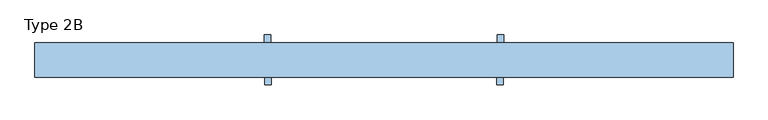
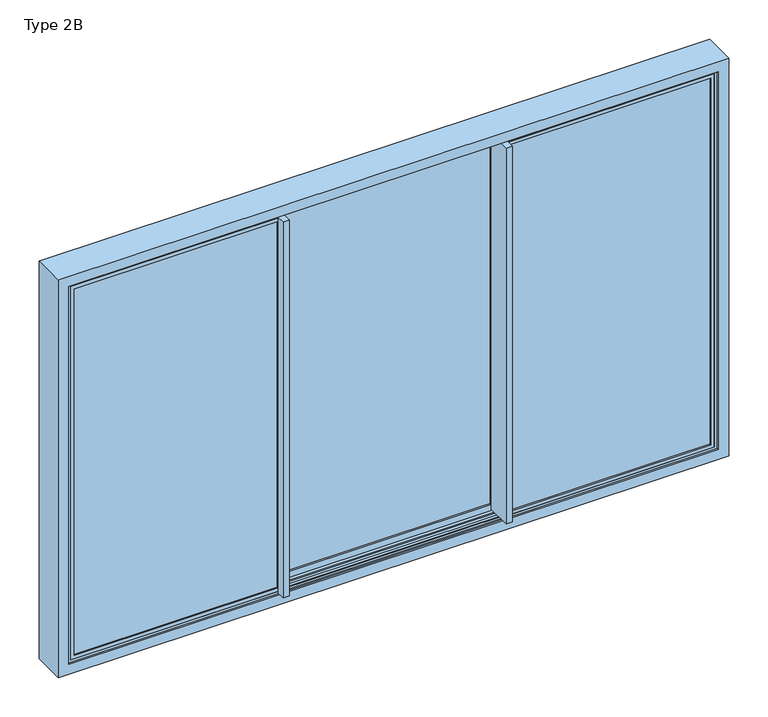
"""IFC4 building model written with IfcOpenShell, lengths in millimetres: window geometry, Type 2B."""

from ifc_helpers import new_model, si_unit, frame, origin, place, context, project, spatial, polyline, outline, extrude, faceted_brep, source, transform, mapped, element, save


def type_2b_303a5cf7(model_context):
    return source(origin(), model_context, "Body", "SolidModel", [
        extrude(outline(polyline([(2120.2000011, -599.9464636), (12.7999989, -599.9464636), (12.7999989, 599.9464636), (2120.2000011, 599.9464636), (2120.2000011, -599.9464636)]), holes=[polyline([(2101.4202041, 581.1666667), (31.5797959, 581.1666667), (31.5797959, -581.1666667), (2101.4202041, -581.1666667), (2101.4202041, 581.1666667)])]), frame((0.0, 132.2799866, 0.0), z_axis=(0.0, 1.0, 0.0), x_axis=(0.0, 0.0, 1.0)), (0.0, 0.0, 1.0), 7.7200134),
        faceted_brep([(-612.1666667, 140.0, -15.1996996), (-612.1666667, 137.5, -15.1996996), (-612.1666667, 137.5, 2.7998487), (-612.1666667, 75.4999999, 2.7998487), (-612.1666667, 75.4999999, -15.1996996), (-612.1666667, 73.0, -15.1996996), (-612.1666667, 73.0, 5.8356019), (-612.1666667, 53.5000069, 5.8356019), (-612.1666667, 53.5000069, 2127.2000011), (-612.1666667, 73.0, 2127.2000011), (-612.1666667, 73.0, 2148.1996996), (-612.1666667, 75.4999999, 2148.1996996), (-612.1666667, 75.4999999, 2130.2001513), (-612.1666667, 137.5, 2130.2001513), (-612.1666667, 137.5, 2148.1996996), (-612.1666667, 140.0, 2148.1996996), (612.1666667, 140.0, -15.1996996), (612.1666667, 137.5, -15.1996996), (612.1666667, 137.5, 2.7998487), (612.1666667, 75.4999999, 2.7998487), (612.1666667, 75.4999999, -15.1996996), (612.1666667, 73.0, -15.1996996), (612.1666667, 73.0, 5.8356019), (596.6666667, 73.0, 5.8356019), (596.6666667, 73.0, 2127.2000011), (612.1666667, 73.0, 2127.2000011), (612.1666667, 73.0, 2148.1996996), (-596.6666667, 73.0, 2127.2000011), (-596.6666667, 73.0, 5.8356019), (-578.8666667, 73.0, 2101.4202041), (578.8666667, 73.0, 2101.4202041), (578.8666667, 73.0, 31.5797959), (-578.8666667, 73.0, 31.5797959), (-596.6666667, 53.5000069, 5.8356019), (-596.6666667, 53.5000069, 2127.2000011), (612.1666667, 140.0, 2148.1996996), (-599.9464636, 140.0, 12.7999989), (599.9464636, 140.0, 12.7999989), (599.9464636, 140.0, 2120.2000011), (-599.9464636, 140.0, 2120.2000011), (612.1666667, 137.5, 2148.1996996), (612.1666667, 137.5, 2130.2001513), (612.1666667, 75.4999999, 2130.2001513), (612.1666667, 75.4999999, 2148.1996996), (612.1666667, 53.5000069, 2127.2000011), (612.1666667, 53.5000069, 5.8356019), (596.6666667, 53.5000069, 5.8356019), (578.8666667, 83.0, 2101.4202041), (578.8666667, 83.0, 31.5797959), (-578.8666667, 83.0, 31.5797959), (-578.8666667, 83.0, 2101.4202041), (-599.9464636, 83.0, 12.7999989), (-599.9464636, 83.0, 2120.2000011), (599.9464636, 83.0, 2120.2000011), (599.9464636, 83.0, 12.7999989), (596.6666667, 53.5000069, 2127.2000011)], [[[0, 1, 2, 3, 4, 5, 6, 7, 8, 9, 10, 11, 12, 13, 14, 15]], [[1, 0, 16, 17]], [[2, 1, 17, 18]], [[3, 2, 18, 19]], [[4, 3, 19, 20]], [[5, 4, 20, 21]], [[5, 21, 22, 23, 24, 25, 26, 10, 9, 27, 28, 6], [29, 30, 31, 32]], [[28, 33, 7, 6]], [[34, 8, 7, 33]], [[35, 16, 0, 15], [36, 37, 38, 39]], [[21, 20, 19, 18, 17, 16, 35, 40, 41, 42, 43, 26, 25, 44, 45, 22]], [[45, 46, 23, 22]], [[27, 34, 33, 28]], [[31, 30, 47, 48]], [[49, 32, 31, 48]], [[32, 49, 50, 29]], [[51, 52, 53, 54], [50, 49, 48, 47]], [[51, 36, 39, 52]], [[54, 53, 38, 37]], [[36, 51, 54, 37]], [[8, 34, 27, 9]], [[29, 50, 47, 30]], [[53, 52, 39, 38]], [[15, 14, 40, 35]], [[14, 13, 41, 40]], [[13, 12, 42, 41]], [[12, 11, 43, 42]], [[11, 10, 26, 43]], [[24, 55, 44, 25]], [[44, 55, 46, 45]], [[55, 24, 23, 46]]]),
        extrude(outline(polyline([(599.9464636, 83.0), (-599.9464636, 83.0), (-599.9464636, 132.2799866), (599.9464636, 132.2799866), (599.9464636, 83.0)])), frame((0.0, 0.0, 12.7999989), z_axis=(0.0, 0.0, 1.0), x_axis=(1.0, 0.0, 0.0)), (0.0, 0.0, 1.0), 2107.4000022),
        extrude(outline(polyline([(-581.1666667, 140.0), (-612.1666667, 140.0), (-612.1666667, 53.5000069), (-615.1666667, 53.5000069), (-615.1666667, 189.0000069), (-581.1666667, 189.0000069), (-581.1666667, 140.0)])), frame((0.0, 0.0, 5.8356019), z_axis=(0.0, 0.0, 1.0), x_axis=(1.0, 0.0, 0.0)), (0.0, 0.0, 1.0), 2121.3643992),
        extrude(outline(polyline([(581.1666667, 140.0), (581.1666667, 189.0000069), (615.1666667, 189.0000069), (615.1666667, 53.5000069), (612.1666667, 53.5000069), (612.1666667, 140.0), (581.1666667, 140.0)])), frame((0.0, 0.0, 5.8356019), z_axis=(0.0, 0.0, 1.0), x_axis=(1.0, 0.0, 0.0)), (0.0, 0.0, 1.0), 2121.3643992),
        extrude(outline(polyline([(2120.2000011, 1717.5000011), (2120.2000011, 593.3868697), (12.7999989, 593.3868697), (12.7999989, 1717.5000011), (2120.2000011, 1717.5000011)]), holes=[polyline([(2101.4202041, 612.1666667), (2101.4202041, 1698.7202041), (31.5797959, 1698.7202041), (31.5797959, 612.1666667), (2101.4202041, 612.1666667)])]), frame((0.0, -17.0, 0.0), z_axis=(0.0, 1.0, 0.0), x_axis=(0.0, 0.0, 1.0)), (0.0, 0.0, 1.0), 7.7200134),
        faceted_brep([(1698.7202041, 50.0, 31.5797959), (614.4666667, 50.0, 31.5797959), (614.4666667, 40.0, 31.5797959), (1698.7202041, 40.0, 31.5797959), (593.3868697, 40.0, 12.7999989), (593.3868697, -17.0, 12.7999989), (1717.5000011, -17.0, 12.7999989), (1717.5000011, 40.0, 12.7999989), (581.1666667, -14.5, -15.1996996), (1745.4996996, -14.5, -15.1996996), (1745.4996996, 47.5000001, -15.1996996), (581.1666667, 47.5000001, -15.1996996), (581.1666667, 50.0, -15.1996996), (1751.599999, 50.0, -15.1996996), (1751.599999, -17.0, -15.1996996), (581.1666667, -17.0, -15.1996996), (581.1666667, -17.0, 2148.1996996), (581.1666667, -14.5, 2148.1996996), (581.1666667, -14.5, 2130.2001513), (581.1666667, 47.5000001, 2130.2001513), (581.1666667, 47.5000001, 2148.1996996), (581.1666667, 50.0, 2148.1996996), (581.1666667, 50.0, 2127.2000011), (581.1666667, 69.4999931, 2127.2000011), (581.1666667, 69.4999931, 5.8356019), (581.1666667, 50.0, 5.8356019), (581.1666667, 47.5000001, 2.7998487), (581.1666667, -14.5, 2.7998487), (1751.599999, -17.0, 2148.1996996), (593.3868697, -17.0, 2120.2000011), (1717.5000011, -17.0, 2120.2000011), (596.6666667, 50.0, 5.8356019), (596.6666667, 50.0, 2127.2000011), (1751.599999, 50.0, 2148.1996996), (1698.7202041, 50.0, 2101.4202041), (614.4666667, 50.0, 2101.4202041), (1717.5000011, 40.0, 2120.2000011), (593.3868697, 40.0, 2120.2000011), (614.4666667, 40.0, 2101.4202041), (1698.7202041, 40.0, 2101.4202041), (1727.5001513, -14.5, 2.7998487), (1727.5001513, -14.5, 2130.2001513), (1745.4996996, -14.5, 2148.1996996), (1727.5001513, 47.5000001, 2.7998487), (1745.4996996, 47.5000001, 2148.1996996), (1727.5001513, 47.5000001, 2130.2001513), (596.6666667, 69.4999931, 5.8356019), (596.6666667, 69.4999931, 2127.2000011)], [[[0, 1, 2, 3]], [[4, 5, 6, 7]], [[8, 9, 10, 11, 12, 13, 14, 15]], [[15, 16, 17, 18, 19, 20, 21, 22, 23, 24, 25, 12, 11, 26, 27, 8]], [[15, 14, 28, 16], [6, 5, 29, 30]], [[31, 32, 22, 21, 33, 13, 12, 25], [34, 35, 1, 0]], [[36, 37, 4, 7], [3, 2, 38, 39]], [[27, 40, 41, 18, 17, 42, 9, 8]], [[26, 43, 40, 27]], [[11, 10, 44, 20, 19, 45, 43, 26]], [[31, 25, 24, 46]], [[47, 46, 24, 23]], [[0, 3, 39, 34]], [[2, 1, 35, 38]], [[13, 33, 28, 14]], [[31, 46, 47, 32]], [[7, 6, 30, 36]], [[37, 29, 5, 4]], [[9, 42, 44, 10]], [[40, 43, 45, 41]], [[23, 22, 32, 47]], [[20, 44, 42, 17, 16, 28, 33, 21]], [[18, 41, 45, 19]], [[39, 38, 35, 34]], [[30, 29, 37, 36]]]),
        extrude(outline(polyline([(1717.5000011, 40.0), (1717.5000011, -9.2799866), (593.3868697, -9.2799866), (593.3868697, 40.0), (1717.5000011, 40.0)])), frame((0.0, 0.0, 12.7999989), z_axis=(0.0, 0.0, 1.0), x_axis=(1.0, 0.0, 0.0)), (0.0, 0.0, 1.0), 2107.4000022),
        extrude(outline(polyline([(612.1666667, -17.0), (612.1666667, -66.0000069), (578.1666667, -66.0000069), (578.1666667, 69.4999931), (581.1666667, 69.4999931), (581.1666667, -17.0), (612.1666667, -17.0)])), frame((0.0, 0.0, 5.8356019), z_axis=(0.0, 0.0, 1.0), x_axis=(1.0, 0.0, 0.0)), (0.0, 0.0, 1.0), 2121.3643992),
        extrude(outline(polyline([(2120.2000011, -1717.5000011), (12.7999989, -1717.5000011), (12.7999989, -593.3868697), (2120.2000011, -593.3868697), (2120.2000011, -1717.5000011)]), holes=[polyline([(2101.4202041, -612.1666667), (31.5797959, -612.1666667), (31.5797959, -1698.7202041), (2101.4202041, -1698.7202041), (2101.4202041, -612.1666667)])]), frame((0.0, -17.0, 0.0), z_axis=(0.0, 1.0, 0.0), x_axis=(0.0, 0.0, 1.0)), (0.0, 0.0, 1.0), 7.7200134),
        faceted_brep([(-1698.7202041, 50.0, 31.5797959), (-1698.7202041, 40.0, 31.5797959), (-614.4666667, 40.0, 31.5797959), (-614.4666667, 50.0, 31.5797959), (-593.3868697, 40.0, 12.7999989), (-1717.5000011, 40.0, 12.7999989), (-1717.5000011, -17.0, 12.7999989), (-593.3868697, -17.0, 12.7999989), (-581.1666667, -14.5, -15.1996996), (-581.1666667, -17.0, -15.1996996), (-1751.599999, -17.0, -15.1996996), (-1751.599999, 50.0, -15.1996996), (-581.1666667, 50.0, -15.1996996), (-581.1666667, 47.5000001, -15.1996996), (-1745.4996996, 47.5000001, -15.1996996), (-1745.4996996, -14.5, -15.1996996), (-581.1666667, -14.5, 2.7998487), (-581.1666667, 47.5000001, 2.7998487), (-581.1666667, 50.0, 5.8356019), (-581.1666667, 69.4999931, 5.8356019), (-581.1666667, 69.4999931, 2127.2000011), (-581.1666667, 50.0, 2127.2000011), (-581.1666667, 50.0, 2148.1996996), (-581.1666667, 47.5000001, 2148.1996996), (-581.1666667, 47.5000001, 2130.2001513), (-581.1666667, -14.5, 2130.2001513), (-581.1666667, -14.5, 2148.1996996), (-581.1666667, -17.0, 2148.1996996), (-1751.599999, -17.0, 2148.1996996), (-1717.5000011, -17.0, 2120.2000011), (-593.3868697, -17.0, 2120.2000011), (-596.6666667, 50.0, 5.8356019), (-1751.599999, 50.0, 2148.1996996), (-596.6666667, 50.0, 2127.2000011), (-1698.7202041, 50.0, 2101.4202041), (-614.4666667, 50.0, 2101.4202041), (-1717.5000011, 40.0, 2120.2000011), (-593.3868697, 40.0, 2120.2000011), (-1698.7202041, 40.0, 2101.4202041), (-614.4666667, 40.0, 2101.4202041), (-1745.4996996, -14.5, 2148.1996996), (-1727.5001513, -14.5, 2130.2001513), (-1727.5001513, -14.5, 2.7998487), (-1727.5001513, 47.5000001, 2.7998487), (-1727.5001513, 47.5000001, 2130.2001513), (-1745.4996996, 47.5000001, 2148.1996996), (-596.6666667, 69.4999931, 5.8356019), (-596.6666667, 69.4999931, 2127.2000011)], [[[0, 1, 2, 3]], [[4, 5, 6, 7]], [[8, 9, 10, 11, 12, 13, 14, 15]], [[9, 8, 16, 17, 13, 12, 18, 19, 20, 21, 22, 23, 24, 25, 26, 27]], [[9, 27, 28, 10], [6, 29, 30, 7]], [[31, 18, 12, 11, 32, 22, 21, 33], [34, 0, 3, 35]], [[36, 5, 4, 37], [1, 38, 39, 2]], [[16, 8, 15, 40, 26, 25, 41, 42]], [[17, 16, 42, 43]], [[13, 17, 43, 44, 24, 23, 45, 14]], [[31, 46, 19, 18]], [[47, 20, 19, 46]], [[0, 34, 38, 1]], [[2, 39, 35, 3]], [[11, 10, 28, 32]], [[31, 33, 47, 46]], [[5, 36, 29, 6]], [[37, 4, 7, 30]], [[15, 14, 45, 40]], [[42, 41, 44, 43]], [[20, 47, 33, 21]], [[23, 22, 32, 28, 27, 26, 40, 45]], [[25, 24, 44, 41]], [[38, 34, 35, 39]], [[29, 36, 37, 30]]]),
        extrude(outline(polyline([(-1717.5000011, 40.0), (-593.3868697, 40.0), (-593.3868697, -9.2799866), (-1717.5000011, -9.2799866), (-1717.5000011, 40.0)])), frame((0.0, 0.0, 12.7999989), z_axis=(0.0, 0.0, 1.0), x_axis=(1.0, 0.0, 0.0)), (0.0, 0.0, 1.0), 2107.4000022),
        extrude(outline(polyline([(-612.1666667, -17.0), (-581.1666667, -17.0), (-581.1666667, 69.4999931), (-578.1666667, 69.4999931), (-578.1666667, -66.0000069), (-612.1666667, -66.0000069), (-612.1666667, -17.0)])), frame((0.0, 0.0, 5.8356019), z_axis=(0.0, 0.0, 1.0), x_axis=(1.0, 0.0, 0.0)), (0.0, 0.0, 1.0), 2121.3643992),
        faceted_brep([(596.6666667, 53.5, 0.0), (596.6666667, 53.5, 1.7), (596.6666667, 150.0, 1.7), (596.6666667, 150.0, 0.0), (596.6666667, 143.5, 0.0), (596.6666667, 143.5, -30.5), (596.6666667, 134.65, -30.5), (596.6666667, 134.65, 0.0), (596.6666667, 78.35, 0.0), (596.6666667, 78.35, -30.5), (596.6666667, 69.5, -30.5), (596.6666667, 69.5, 0.0), (596.6666667, 53.5, 2133.0), (596.6666667, 69.5, 2133.0), (596.6666667, 69.5, 2163.5), (596.6666667, 78.35, 2163.5), (596.6666667, 78.35, 2133.0), (596.6666667, 134.65, 2133.0), (596.6666667, 134.65, 2163.5), (596.6666667, 143.5, 2163.5), (596.6666667, 143.5, 2133.0), (596.6666667, 150.0, 2133.0), (596.6666667, 150.0, 2131.3), (596.6666667, 53.5, 2131.3), (1731.3, 53.5, 2131.3), (1731.3, 53.5, 1.7), (1733.0, 53.5, 0.0), (1733.0, 53.5, 2133.0), (1731.3, 150.0, 1.7), (1733.0, 150.0, 2133.0), (1733.0, 150.0, 0.0), (1731.3, 150.0, 2131.3), (1733.0, 143.5, 0.0), (1763.5, 143.5, 2163.5), (1763.5, 143.5, -30.5), (1733.0, 143.5, 2133.0), (1763.5, 134.65, -30.5), (1733.0, 134.65, 2133.0), (1733.0, 134.65, 0.0), (1763.5, 134.65, 2163.5), (1733.0, 78.35, 0.0), (1763.5, 78.35, 2163.5), (1763.5, 78.35, -30.5), (1733.0, 78.35, 2133.0), (1763.5, 69.5, -30.5), (1733.0, 69.5, 2133.0), (1733.0, 69.5, 0.0), (1763.5, 69.5, 2163.5)], [[[0, 1, 2, 3, 4, 5, 6, 7, 8, 9, 10, 11]], [[12, 13, 14, 15, 16, 17, 18, 19, 20, 21, 22, 23]], [[12, 23, 24, 25, 1, 0, 26, 27]], [[25, 28, 2, 1]], [[22, 21, 29, 30, 3, 2, 28, 31]], [[30, 32, 4, 3]], [[20, 19, 33, 34, 5, 4, 32, 35]], [[34, 36, 6, 5]], [[18, 17, 37, 38, 7, 6, 36, 39]], [[38, 40, 8, 7]], [[16, 15, 41, 42, 9, 8, 40, 43]], [[42, 44, 10, 9]], [[14, 13, 45, 46, 11, 10, 44, 47]], [[46, 26, 0, 11]], [[45, 27, 26, 46]], [[41, 47, 44, 42]], [[37, 43, 40, 38]], [[33, 39, 36, 34]], [[29, 35, 32, 30]], [[24, 31, 28, 25]], [[13, 12, 27, 45]], [[15, 14, 47, 41]], [[17, 16, 43, 37]], [[19, 18, 39, 33]], [[21, 20, 35, 29]], [[23, 22, 31, 24]]]),
        faceted_brep([(-596.6666667, 53.5, 0.0), (-596.6666667, 69.5, 0.0), (-596.6666667, 69.5, -30.5), (-596.6666667, 78.35, -30.5), (-596.6666667, 78.35, 0.0), (-596.6666667, 134.65, 0.0), (-596.6666667, 134.65, -30.5), (-596.6666667, 143.5, -30.5), (-596.6666667, 143.5, 0.0), (-596.6666667, 150.0, 0.0), (-596.6666667, 150.0, 1.7), (-596.6666667, 53.5, 1.7), (-596.6666667, 53.5, 2133.0), (-596.6666667, 53.5, 2131.3), (-596.6666667, 150.0, 2131.3), (-596.6666667, 150.0, 2133.0), (-596.6666667, 143.5, 2133.0), (-596.6666667, 143.5, 2163.5), (-596.6666667, 134.65, 2163.5), (-596.6666667, 134.65, 2133.0), (-596.6666667, 78.35, 2133.0), (-596.6666667, 78.35, 2163.5), (-596.6666667, 69.5, 2163.5), (-596.6666667, 69.5, 2133.0), (-1733.0, 53.5, 0.0), (-1733.0, 69.5, 0.0), (-1763.5, 69.5, 2163.5), (-1763.5, 69.5, -30.5), (-1733.0, 69.5, 2133.0), (-1763.5, 78.35, -30.5), (-1733.0, 78.35, 2133.0), (-1733.0, 78.35, 0.0), (-1763.5, 78.35, 2163.5), (-1733.0, 134.65, 0.0), (-1763.5, 134.65, 2163.5), (-1763.5, 134.65, -30.5), (-1733.0, 134.65, 2133.0), (-1763.5, 143.5, -30.5), (-1733.0, 143.5, 2133.0), (-1733.0, 143.5, 0.0), (-1763.5, 143.5, 2163.5), (-1733.0, 150.0, 0.0), (-1731.3, 150.0, 2131.3), (-1731.3, 150.0, 1.7), (-1733.0, 150.0, 2133.0), (-1731.3, 53.5, 1.7), (-1733.0, 53.5, 2133.0), (-1731.3, 53.5, 2131.3)], [[[0, 1, 2, 3, 4, 5, 6, 7, 8, 9, 10, 11]], [[12, 13, 14, 15, 16, 17, 18, 19, 20, 21, 22, 23]], [[24, 25, 1, 0]], [[23, 22, 26, 27, 2, 1, 25, 28]], [[27, 29, 3, 2]], [[21, 20, 30, 31, 4, 3, 29, 32]], [[31, 33, 5, 4]], [[19, 18, 34, 35, 6, 5, 33, 36]], [[35, 37, 7, 6]], [[17, 16, 38, 39, 8, 7, 37, 40]], [[39, 41, 9, 8]], [[15, 14, 42, 43, 10, 9, 41, 44]], [[43, 45, 11, 10]], [[13, 12, 46, 24, 0, 11, 45, 47]], [[42, 47, 45, 43]], [[38, 44, 41, 39]], [[34, 40, 37, 35]], [[30, 36, 33, 31]], [[26, 32, 29, 27]], [[46, 28, 25, 24]], [[14, 13, 47, 42]], [[16, 15, 44, 38]], [[18, 17, 40, 34]], [[20, 19, 36, 30]], [[22, 21, 32, 26]], [[12, 23, 28, 46]]]),
        faceted_brep([(-1790.0, -27.0, 2190.0), (-1790.0, 150.0, 2190.0), (-1790.0, 150.0, -57.0), (-1790.0, -27.0, -57.0), (1790.0, 150.0, -57.0), (1790.0, -27.0, -57.0), (1790.0, 150.0, 2190.0), (1733.0, 150.0, 0.0), (1733.0, 150.0, 2133.0), (-1733.0, 150.0, 2133.0), (-1733.0, 150.0, 0.0), (1790.0, -27.0, 2190.0), (-1733.0, -27.0, 0.0), (-1733.0, -27.0, 2133.0), (1733.0, -27.0, 2133.0), (1733.0, -27.0, 0.0), (-1733.0, -20.5, 2133.0), (-1733.0, -20.5, 0.0), (1733.0, -20.5, 0.0), (1733.0, -20.5, 2133.0), (-1763.5, -20.5, -30.5), (-1763.5, -20.5, 2163.5), (1763.5, -20.5, 2163.5), (1763.5, -20.5, -30.5), (-1763.5, 53.5, 2163.5), (-1763.5, 53.5, -30.5), (1763.5, 53.5, -30.5), (1763.5, 53.5, 2163.5), (-1733.0, 53.5, 0.0), (-1733.0, 53.5, 2133.0), (1733.0, 53.5, 2133.0), (1733.0, 53.5, 0.0), (-1733.0, 69.5, 2133.0), (-1733.0, 69.5, 0.0), (1733.0, 69.5, 0.0), (1733.0, 69.5, 2133.0), (-1763.5, 69.5, -30.5), (-1763.5, 69.5, 2163.5), (1763.5, 69.5, 2163.5), (1763.5, 69.5, -30.5), (-1763.5, 143.5, 2163.5), (-1763.5, 143.5, -30.5), (1763.5, 143.5, -30.5), (1763.5, 143.5, 2163.5), (-1733.0, 143.5, 0.0), (-1733.0, 143.5, 2133.0), (1733.0, 143.5, 2133.0), (1733.0, 143.5, 0.0)], [[[0, 1, 2, 3]], [[3, 2, 4, 5]], [[2, 1, 6, 4], [7, 8, 9, 10]], [[5, 4, 6, 11]], [[5, 11, 0, 3], [12, 13, 14, 15]], [[16, 13, 12, 17]], [[17, 12, 15, 18]], [[18, 15, 14, 19]], [[20, 21, 22, 23], [18, 19, 16, 17]], [[24, 21, 20, 25]], [[25, 20, 23, 26]], [[26, 23, 22, 27]], [[26, 27, 24, 25], [28, 29, 30, 31]], [[32, 29, 28, 33]], [[33, 28, 31, 34]], [[34, 31, 30, 35]], [[36, 37, 38, 39], [34, 35, 32, 33]], [[40, 37, 36, 41]], [[41, 36, 39, 42]], [[42, 39, 38, 43]], [[42, 43, 40, 41], [44, 45, 46, 47]], [[9, 45, 44, 10]], [[10, 44, 47, 7]], [[7, 47, 46, 8]], [[11, 6, 1, 0]], [[19, 14, 13, 16]], [[27, 22, 21, 24]], [[35, 30, 29, 32]], [[43, 38, 37, 40]], [[8, 46, 45, 9]]]),
        extrude(outline(polyline([(80.0, -30.5), (80.0, -0.2), (96.2954822, -0.2), (106.5, -4.9584448), (116.7045178, -0.2), (133.0, -0.2), (133.0, -30.5), (80.0, -30.5)])), frame((-1763.5, 0.0, 0.0), z_axis=(1.0, 0.0, 0.0), x_axis=(0.0, 1.0, 0.0)), (0.0, 0.0, 1.0), 3527.0),
        extrude(outline(polyline([(43.0, -30.5), (-10.0, -30.5), (-10.0, -0.2), (6.2954822, -0.2), (16.5, -4.9584448), (26.7045178, -0.2), (43.0, -0.2), (43.0, -30.5)])), frame((-1763.5, 0.0, 0.0), z_axis=(1.0, 0.0, 0.0), x_axis=(0.0, 1.0, 0.0)), (0.0, 0.0, 1.0), 3527.0),
    ])


if __name__ == "__main__":
    model = new_model("IFC4")
    model_context = context("Model", 3, world=origin())
    ifc_project = project(units=[si_unit("LENGTHUNIT", "METRE", prefix="MILLI")], contexts=[model_context])
    site = spatial("IfcSite", under=ifc_project)
    building = spatial("IfcBuilding", under=site)
    placement = place(None, origin())
    type_2b_shape = type_2b_303a5cf7(model_context)
    element("IfcWindow", 1, ObjectType="Type 2B", at=placement, inside=building, context=model_context, shape_type="MappedRepresentation", body=[
        mapped(type_2b_shape, transform((0.0, 0.0, 0.0), x_axis=(1.0, 0.0, 0.0), y_axis=(0.0, 1.0, 0.0), z_axis=(0.0, 0.0, 1.0))),
    ])
    save(model, "model.ifc")
